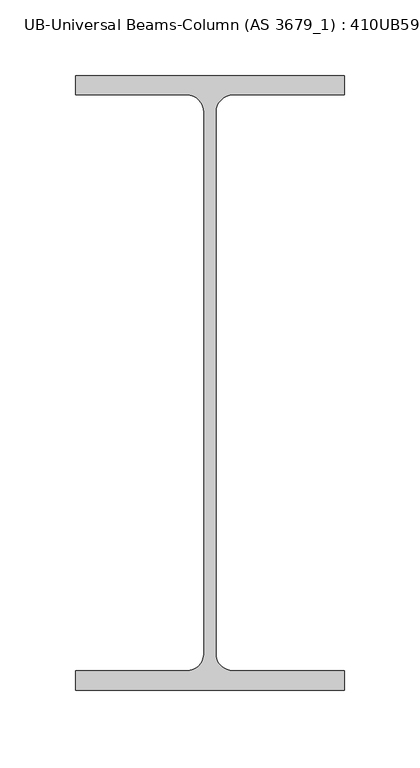
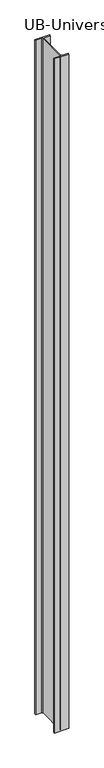
"""IFC4 building model written with IfcOpenShell, lengths in millimetres: column geometry, UB-Universal Beams-Column (AS 3679_1) : 410UB59.7."""

from ifc_helpers import new_model, si_unit, point, frame, frame_2d, origin, place, context, project, spatial, polyline, circle_curve, trimmed, segment, composite_curve, outline, extrude, source, transform, mapped, element, save


def ub_universal_beams_column_as_3679_1_410ub59_7_82cc43d5(model_context):
    return source(origin(), model_context, "Body", "SweptSolid", [
        extrude(outline(composite_curve([segment(polyline([(89.0, 203.2), (89.0, 190.4), (15.3, 190.4)]), True, "CONTINUOUS"), segment(trimmed(circle_curve(frame_2d((15.3, 179.0)), 11.4), [point((15.3, 190.4))], [point((3.9, 179.0))], True, "CARTESIAN"), True, "CONTINUOUS"), segment(polyline([(3.9, 179.0), (3.9, -179.0)]), True, "CONTINUOUS"), segment(trimmed(circle_curve(frame_2d((15.3, -179.0)), 11.4), [point((3.9, -179.0))], [point((15.3, -190.4))], True, "CARTESIAN"), True, "CONTINUOUS"), segment(polyline([(15.3, -190.4), (89.0, -190.4), (89.0, -203.2), (-89.0, -203.2), (-89.0, -190.4), (-15.3, -190.4)]), True, "CONTINUOUS"), segment(trimmed(circle_curve(frame_2d((-15.3, -179.0)), 11.4), [point((-15.3, -190.4))], [point((-3.9, -179.0))], True, "CARTESIAN"), True, "CONTINUOUS"), segment(polyline([(-3.9, -179.0), (-3.9, 179.0)]), True, "CONTINUOUS"), segment(trimmed(circle_curve(frame_2d((-15.3, 179.0)), 11.4), [point((-3.9, 179.0))], [point((-15.3, 190.4))], True, "CARTESIAN"), True, "CONTINUOUS"), segment(polyline([(-15.3, 190.4), (-89.0, 190.4), (-89.0, 203.2), (89.0, 203.2)]), True, "CONTINUOUS")], self_intersect=False)), frame((0.0, 0.0, -250.0), z_axis=(0.0, 0.0, 1.0), x_axis=(1.0, 0.0, 0.0)), (0.0, 0.0, 1.0), 8689.0),
    ])


if __name__ == "__main__":
    model = new_model("IFC4")
    model_context = context("Model", 3, world=origin())
    ifc_project = project(units=[si_unit("LENGTHUNIT", "METRE", prefix="MILLI")], contexts=[model_context])
    site = spatial("IfcSite", under=ifc_project)
    building = spatial("IfcBuilding", under=site)
    placement = place(None, origin())
    ub_universal_beams_column_as_3679_1_410ub59_7_shape = ub_universal_beams_column_as_3679_1_410ub59_7_82cc43d5(model_context)
    element("IfcColumn", 1, ObjectType="UB-Universal Beams-Column (AS 3679_1) : 410UB59.7", at=placement, inside=building, context=model_context, shape_type="MappedRepresentation", body=[
        mapped(ub_universal_beams_column_as_3679_1_410ub59_7_shape, transform((0.0, 0.0, 0.0), x_axis=(1.0, 0.0, 0.0), y_axis=(0.0, 1.0, 0.0), z_axis=(0.0, 0.0, 1.0))),
    ])
    save(model, "model.ifc")
